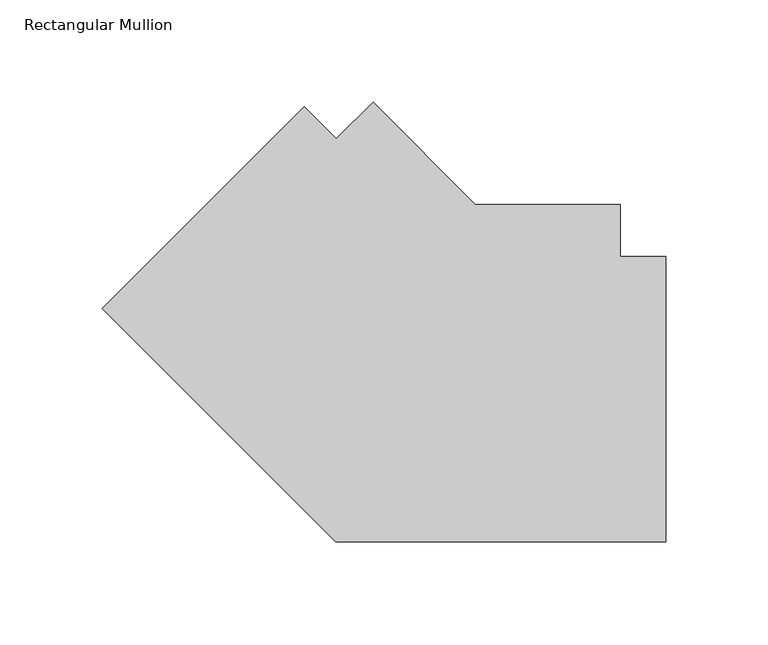
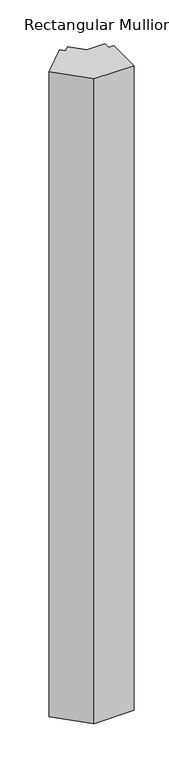
"""IFC4 building model written with IfcOpenShell, lengths in millimetres: member geometry, Rectangular Mullion."""

from ifc_helpers import new_model, si_unit, frame, origin, place, context, project, spatial, polyline, outline, extrude, source, transform, mapped, element, save


def rectangular_mullion_1f24dc91(model_context):
    return source(origin(), model_context, "Body", "SweptSolid", [
        extrude(outline(polyline([(-161.4576687, -212.7250081), (-275.6254991, -98.5571776), (-176.8426853, 0.2256362), (-161.1273172, -15.489732), (-143.1668089, 2.4707763), (-93.0710245, -47.625008), (-22.2248868, -47.625008), (-22.2248868, -73.0250025), (0.0, -73.0250025), (0.0, -212.7250081), (-161.4576687, -212.7250081)])), frame((0.0, 0.0, -2743.2), z_axis=(0.0, 0.0, 1.0), x_axis=(1.0, 0.0, 0.0)), (0.0, 0.0, 1.0), 2743.2),
    ])


if __name__ == "__main__":
    model = new_model("IFC4")
    model_context = context("Model", 3, world=origin())
    ifc_project = project(units=[si_unit("LENGTHUNIT", "METRE", prefix="MILLI")], contexts=[model_context])
    site = spatial("IfcSite", under=ifc_project)
    building = spatial("IfcBuilding", under=site)
    placement = place(None, origin())
    rectangular_mullion_shape = rectangular_mullion_1f24dc91(model_context)
    element("IfcMember", 1, ObjectType="Rectangular Mullion", at=placement, inside=building, context=model_context, shape_type="MappedRepresentation", body=[
        mapped(rectangular_mullion_shape, transform((0.0, 0.0, 0.0), x_axis=(1.0, 0.0, 0.0), y_axis=(0.0, 1.0, 0.0), z_axis=(0.0, 0.0, 1.0))),
    ])
    save(model, "model.ifc")
